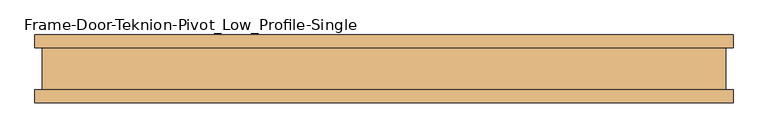
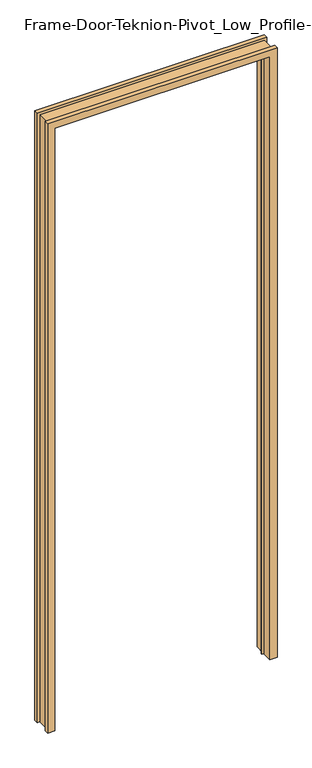
"""IFC4 building model written with IfcOpenShell, lengths in millimetres: door geometry, Frame-Door-Teknion-Pivot_Low_Profile-Single."""

from ifc_helpers import new_model, si_unit, origin, place, context, project, spatial, faceted_brep, source, transform, mapped, element, save


def frame_door_teknion_pivot_low_profile_single_097b559a(model_context):
    return source(origin(), model_context, "Body", "Brep", [
        faceted_brep([(-490.4072077, 50.8, 0.0), (-490.4072077, 0.2091047, 0.0), (-480.8884514, 0.2091047, 0.0), (-480.8884514, -3.8523166, 0.0), (-490.4072077, -3.8523166, 0.0), (-490.4072077, -50.8, 0.0), (-523.4208347, -50.8, 0.0), (-523.4208347, -31.5339997, 0.0), (-512.4152344, -31.5339997, 0.0), (-512.4152344, 31.5339997, 0.0), (-523.4208347, 31.5339997, 0.0), (-523.4208347, 50.8, 0.0), (490.4072077, 50.8, 0.0), (523.4208347, 50.8, 0.0), (523.4208347, 31.5339997, 0.0), (512.4152344, 31.5339997, 0.0), (512.4152344, -31.5339997, 0.0), (523.4208347, -31.5339997, 0.0), (523.4208347, -50.8, 0.0), (490.4072077, -50.8, 0.0), (490.4072077, -3.8523166, 0.0), (480.8884514, -3.8523166, 0.0), (480.8884514, 0.2091047, 0.0), (490.4072077, 0.2091047, 0.0), (-523.4208347, 50.8, 2941.32), (523.4208347, 50.8, 2941.32), (490.4072077, 50.8, 2908.3063731), (-490.4072077, 50.8, 2908.3063731), (-523.4208347, 31.5339997, 2941.32), (-512.4152344, 31.5339997, 2930.3143997), (512.4152344, 31.5339997, 2930.3143997), (523.4208347, 31.5339997, 2941.32), (-512.4152344, -31.5339997, 2930.3143997), (-523.4208347, -31.5339997, 2941.32), (523.4208347, -31.5339997, 2941.32), (512.4152344, -31.5339997, 2930.3143997), (-523.4208347, -50.8, 2941.32), (-490.4072077, -50.8, 2908.3063731), (490.4072077, -50.8, 2908.3063731), (523.4208347, -50.8, 2941.32), (-490.4072077, -3.8523166, 2908.3063731), (-480.8884514, -3.8523166, 2898.7876167), (480.8884514, -3.8523166, 2898.7876167), (490.4072077, -3.8523166, 2908.3063731), (-480.8884514, 0.2091047, 2898.7876167), (-490.4072077, 0.2091047, 2908.3063731), (490.4072077, 0.2091047, 2908.3063731), (480.8884514, 0.2091047, 2898.7876167)], [[[0, 1, 2, 3, 4, 5, 6, 7, 8, 9, 10, 11]], [[12, 13, 14, 15, 16, 17, 18, 19, 20, 21, 22, 23]], [[11, 24, 25, 13, 12, 26, 27, 0]], [[10, 28, 24, 11]], [[9, 29, 30, 15, 14, 31, 28, 10]], [[8, 32, 29, 9]], [[7, 33, 34, 17, 16, 35, 32, 8]], [[6, 36, 33, 7]], [[5, 37, 38, 19, 18, 39, 36, 6]], [[4, 40, 37, 5]], [[3, 41, 42, 21, 20, 43, 40, 4]], [[2, 44, 41, 3]], [[1, 45, 46, 23, 22, 47, 44, 2]], [[0, 27, 45, 1]], [[26, 12, 23, 46]], [[47, 22, 21, 42]], [[43, 20, 19, 38]], [[39, 18, 17, 34]], [[35, 16, 15, 30]], [[31, 14, 13, 25]], [[28, 31, 25, 24]], [[32, 35, 30, 29]], [[36, 39, 34, 33]], [[40, 43, 38, 37]], [[44, 47, 42, 41]], [[27, 26, 46, 45]]]),
    ])


if __name__ == "__main__":
    model = new_model("IFC4")
    model_context = context("Model", 3, world=origin())
    ifc_project = project(units=[si_unit("LENGTHUNIT", "METRE", prefix="MILLI")], contexts=[model_context])
    site = spatial("IfcSite", under=ifc_project)
    building = spatial("IfcBuilding", under=site)
    placement = place(None, origin())
    frame_door_teknion_pivot_low_profile_single_shape = frame_door_teknion_pivot_low_profile_single_097b559a(model_context)
    element("IfcDoor", 1, ObjectType="Frame-Door-Teknion-Pivot_Low_Profile-Single", at=placement, inside=building, context=model_context, shape_type="MappedRepresentation", body=[
        mapped(frame_door_teknion_pivot_low_profile_single_shape, transform((0.0, 0.0, 0.0), x_axis=(1.0, 0.0, 0.0), y_axis=(0.0, 1.0, 0.0), z_axis=(0.0, 0.0, 1.0))),
    ])
    save(model, "model.ifc")
